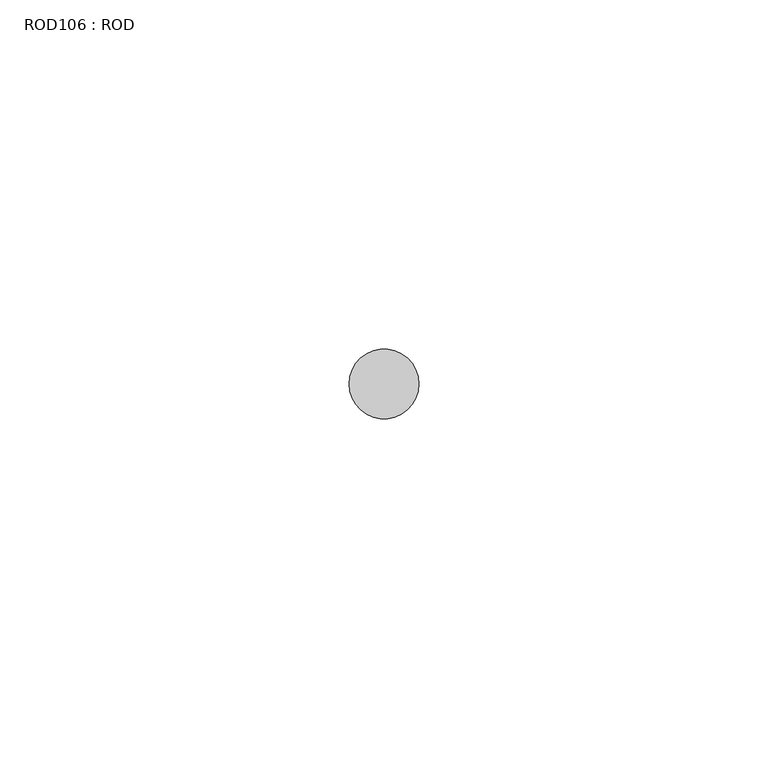
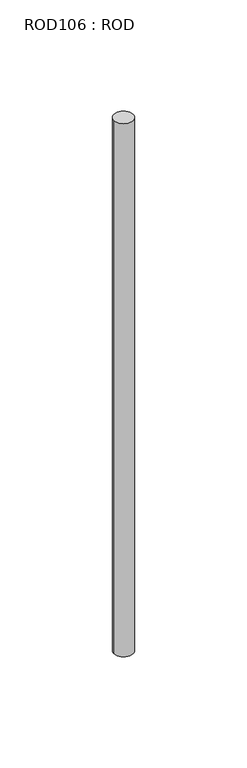
"""IFC4 building model written with IfcOpenShell, lengths in millimetres: proxy geometry, ROD106 : ROD."""

from ifc_helpers import new_model, si_unit, point, frame, frame_2d, origin, place, context, project, spatial, circle_curve, trimmed, segment, composite_curve, outline, extrude, source, transform, mapped, element, save


def rod106_rod_f8fd529f(model_context):
    return source(origin(), model_context, "Body", "SweptSolid", [
        extrude(outline(composite_curve([segment(trimmed(circle_curve(frame_2d((-4700.2326676, -14542.0031593)), 5.0), [point((-4705.2326676, -14542.0031593))], [point((-4695.2326676, -14542.0031593))], False, "CARTESIAN"), True, "CONTINUOUS"), segment(trimmed(circle_curve(frame_2d((-4700.2326676, -14542.0031593)), 5.0), [point((-4695.2326676, -14542.0031593))], [point((-4705.2326676, -14542.0031593))], False, "CARTESIAN"), True, "CONTINUOUS")], self_intersect=False)), frame((0.0, 0.0, -108.6608845), z_axis=(0.0, 0.0, 1.0), x_axis=(1.0, 0.0, 0.0)), (0.0, 0.0, 1.0), 298.9028972),
    ])


if __name__ == "__main__":
    model = new_model("IFC4")
    model_context = context("Model", 3, world=origin())
    ifc_project = project(units=[si_unit("LENGTHUNIT", "METRE", prefix="MILLI")], contexts=[model_context])
    site = spatial("IfcSite", under=ifc_project)
    building = spatial("IfcBuilding", under=site)
    placement = place(None, origin())
    rod106_rod_shape = rod106_rod_f8fd529f(model_context)
    element("IfcBuildingElementProxy", 1, Name="ROD106 : ROD", ObjectType="ROD106 : ROD", at=placement, inside=building, context=model_context, shape_type="MappedRepresentation", body=[
        mapped(rod106_rod_shape, transform((0.0, 0.0, 0.0), x_axis=(1.0, 0.0, 0.0), y_axis=(0.0, 1.0, 0.0), z_axis=(0.0, 0.0, 1.0))),
    ])
    save(model, "model.ifc")
